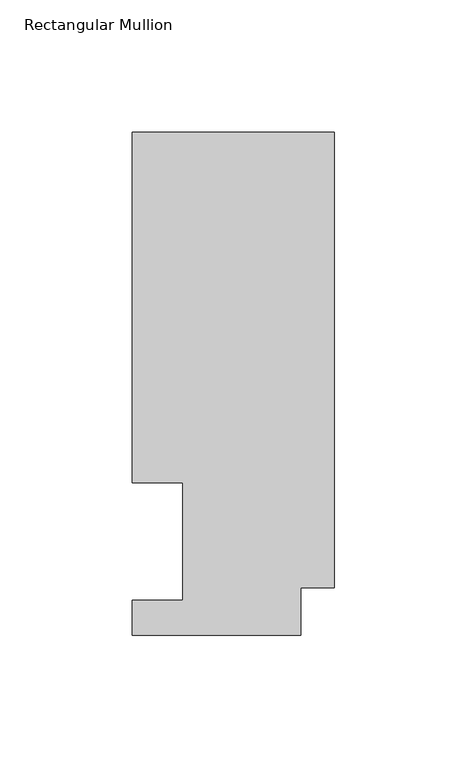
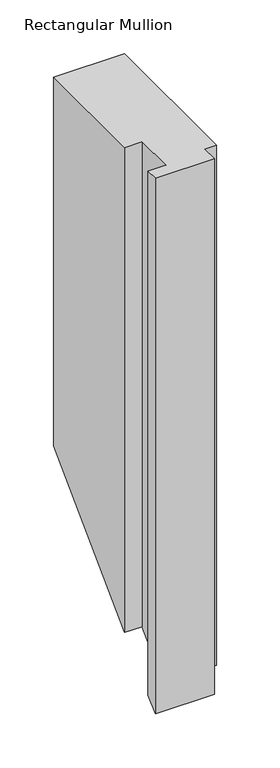
"""IFC4 building model written with IfcOpenShell, lengths in millimetres: member geometry, Rectangular Mullion."""

import ifcopenshell
import ifcopenshell.guid

model = None  # the IFC model being written
_history = None  # IfcOwnerHistory: only IFC2X3 demands one
_inside = {}  # id of a spatial element -> (the spatial element, [elements in it])
_under = {}  # id of a project, library or spatial element -> (it, [spatial elements below it])
_declared = {}  # id of a project -> (the project, [libraries it declares])
_typed = {}  # id of a type object -> (the type object, [elements of that type])
_made_of = {}  # id of a material, layer set ... -> (it, [elements and type objects made of it])


def new_model(schema):
    """Start an empty IFC model of exactly this schema.

    Asked for "IFC4X3", IfcOpenShell would pick the latest addendum, in which some entities
    have other attributes; the version numbers below select the first issue.
    IFC2X3 requires an IfcOwnerHistory on every rooted entity: one is made here for all.
    """
    global model, _history
    if schema == "IFC4X3":
        model = ifcopenshell.file(schema_version=(4, 3, 0, 0))
    else:
        model = ifcopenshell.file(schema=schema)
    _inside.clear()
    _under.clear()
    _declared.clear()
    _typed.clear()
    _made_of.clear()
    _history = None
    if model.schema == "IFC2X3":
        org = make("IfcOrganization", Name="unknown")
        user = make(
            "IfcPersonAndOrganization",
            ThePerson=make("IfcPerson", FamilyName="unknown"),
            TheOrganization=org,
        )
        app = make(
            "IfcApplication",
            ApplicationDeveloper=org,
            Version="unknown",
            ApplicationFullName="unknown",
            ApplicationIdentifier="unknown",
        )
        _history = make(
            "IfcOwnerHistory",
            OwningUser=user,
            OwningApplication=app,
            ChangeAction="ADDED",
            CreationDate=0,
        )
    return model


def make(cls, **values):
    """One entity of the class cls with the attributes given. An attribute that is None is left unset."""
    return model.create_entity(
        cls, **{name: value for name, value in values.items() if value is not None}
    )


def rooted(cls, **values):
    """An entity with a GlobalId (a new one), such as an element, a storey or a relation."""
    return make(cls, GlobalId=ifcopenshell.guid.new(), OwnerHistory=_history, **values)


def si_unit(unit_type, name, prefix=None):
    """IfcSIUnit, for example si_unit("LENGTHUNIT", "METRE", prefix="MILLI")."""
    return make("IfcSIUnit", UnitType=unit_type, Prefix=prefix, Name=name)


def assignment(units):
    """IfcUnitAssignment: the units of a project."""
    return None if units is None else make("IfcUnitAssignment", Units=units)


def point(xyz):
    """IfcCartesianPoint."""
    return None if xyz is None else make("IfcCartesianPoint", Coordinates=xyz)


def direction(xyz):
    """IfcDirection."""
    return None if xyz is None else make("IfcDirection", DirectionRatios=xyz)


def frame(location, z_axis=None, x_axis=None):
    """IfcAxis2Placement3D, a coordinate frame: its origin and axes. An axis left out is left unset."""
    return make(
        "IfcAxis2Placement3D",
        Location=point(location),
        Axis=direction(z_axis),
        RefDirection=direction(x_axis),
    )


def origin():
    """The frame at (0, 0, 0) with its axes left unset."""
    return frame((0.0, 0.0, 0.0))


def place(relative_to, where):
    """IfcLocalPlacement: puts the frame where relative to a parent placement (None: the world)."""
    return make(
        "IfcLocalPlacement", PlacementRelTo=relative_to, RelativePlacement=where
    )


def context(
    kind, dimensions, precision=None, world=None, true_north=None, identifier=None
):
    """IfcGeometricRepresentationContext, for example the 3D "Model" context."""
    return make(
        "IfcGeometricRepresentationContext",
        ContextIdentifier=identifier,
        ContextType=kind,
        CoordinateSpaceDimension=dimensions,
        Precision=precision,
        WorldCoordinateSystem=world,
        TrueNorth=true_north,
    )


def project(units=None, contexts=None):
    """IfcProject with its units and contexts."""
    return rooted(
        "IfcProject",
        Name="project",
        RepresentationContexts=contexts,
        UnitsInContext=assignment(units),
    )


def spatial(cls, under=None, at=None, **own):
    """A site, building, storey or space (cls), placed at a placement, below another one or the project."""
    s = rooted(cls, ObjectPlacement=at, **own)
    if under is not None:
        _under.setdefault(under.id(), (under, []))[1].append(s)
    return s


def faces_of(points, faces, orient=None, outer=None):
    """IfcFace entities. A face is a list of loops; a loop is a list of indices into points, from 0.

    orient and outer hold one flag for each loop. By default every Orientation is true, the
    first loop of a face is its IfcFaceOuterBound and the others are IfcFaceBound.
    """
    made = []
    for i, loops in enumerate(faces):
        bounds = []
        for j, loop in enumerate(loops):
            is_outer = j == 0 if outer is None else outer[i][j]
            bounds.append(
                make(
                    "IfcFaceOuterBound" if is_outer else "IfcFaceBound",
                    Bound=make("IfcPolyLoop", Polygon=[points[k] for k in loop]),
                    Orientation=True if orient is None else orient[i][j],
                )
            )
        made.append(make("IfcFace", Bounds=bounds))
    return made


def faceted_brep(points, faces, orient=None, outer=None, voids=None):
    """IfcFacetedBrep: a solid bounded by flat faces; with voids (closed shells), ...WithVoids."""
    shared = [point(p) for p in points]
    hull = make("IfcClosedShell", CfsFaces=faces_of(shared, faces, orient, outer))
    if voids is None:
        return make("IfcFacetedBrep", Outer=hull)
    return make(
        "IfcFacetedBrepWithVoids",
        Outer=hull,
        Voids=[
            make(cls, CfsFaces=faces_of(shared, fs, o, b)) for cls, fs, o, b in voids
        ],
    )


def shape(context_of_items, identifier, shape_type, items):
    """IfcShapeRepresentation: the items that make up one representation, for example the "Body"."""
    return make(
        "IfcShapeRepresentation",
        ContextOfItems=context_of_items,
        RepresentationIdentifier=identifier,
        RepresentationType=shape_type,
        Items=items,
    )


def source(mapping_origin, context_of_items, identifier, shape_type, items):
    """IfcRepresentationMap: a shape defined once, which mapped items show again and again."""
    return make(
        "IfcRepresentationMap",
        MappingOrigin=mapping_origin,
        MappedRepresentation=shape(context_of_items, identifier, shape_type, items),
    )


def transform(
    local_origin,
    x_axis=None,
    y_axis=None,
    z_axis=None,
    scale=None,
    scale2=None,
    scale3=None,
    uniform=True,
):
    """IfcCartesianTransformationOperator3D, or its non-uniform kind. x_axis, y_axis, z_axis: its Axis1, 2, 3."""
    if uniform:
        return make(
            "IfcCartesianTransformationOperator3D",
            Axis1=direction(x_axis),
            Axis2=direction(y_axis),
            LocalOrigin=point(local_origin),
            Scale=scale,
            Axis3=direction(z_axis),
        )
    return make(
        "IfcCartesianTransformationOperator3DnonUniform",
        Axis1=direction(x_axis),
        Axis2=direction(y_axis),
        LocalOrigin=point(local_origin),
        Scale=scale,
        Axis3=direction(z_axis),
        Scale2=scale2,
        Scale3=scale3,
    )


def mapped(mapping_source, mapping_target):
    """IfcMappedItem: shows the shape of a source again, moved by a transform."""
    return make(
        "IfcMappedItem", MappingSource=mapping_source, MappingTarget=mapping_target
    )


def made_of(thing, what):
    """Note that an element or type object is made of a material, layer set ...; save() writes the relation."""
    if what is not None:
        _made_of.setdefault(what.id(), (what, []))[1].append(thing)
    return thing


def element(
    cls,
    number,
    at=None,
    inside=None,
    cuts=None,
    type_object=None,
    material=None,
    context=None,
    identifier="Body",
    shape_type=None,
    held_by="IfcProductDefinitionShape",
    body=None,
    shapes=None,
    **own,
):
    """One element of the class cls, such as IfcWall. Its Tag is "e" and its number.

    at: its placement. inside: the storey or other place that contains it. cuts: it is an
    opening in that element (IfcRelVoidsElement). A single representation is given by context,
    identifier, shape_type and body (its items); several are given by shapes. held_by: the class
    of the entity that holds the representations. save() writes the other relations.
    """
    e = rooted(cls, Tag="e%d" % number, ObjectPlacement=at, **own)
    if body is not None:
        shapes = [shape(context, identifier, shape_type, body)]
    if shapes is not None:
        e.Representation = make(held_by, Representations=shapes)
    if inside is not None:
        _inside.setdefault(inside.id(), (inside, []))[1].append(e)
    if cuts is not None:
        rooted(
            "IfcRelVoidsElement", RelatingBuildingElement=cuts, RelatedOpeningElement=e
        )
    if type_object is not None:
        _typed.setdefault(type_object.id(), (type_object, []))[1].append(e)
    return made_of(e, material)


def aggregate(whole, parts):
    """IfcRelAggregates: a whole, such as a stair, and the parts it consists of."""
    return rooted("IfcRelAggregates", RelatingObject=whole, RelatedObjects=parts)


def save(model, path):
    """Write the relations noted so far, then the file.

    IfcRelAggregates (storeys below a building ...), IfcRelContainedInSpatialStructure (elements
    in a storey), IfcRelDefinesByType, IfcRelAssociatesMaterial and IfcRelDeclares: one each for
    every whole, place, type object, material and project.
    """
    for whole, parts in _under.values():
        aggregate(whole, parts)
    for where, things in _inside.values():
        rooted(
            "IfcRelContainedInSpatialStructure",
            RelatedElements=things,
            RelatingStructure=where,
        )
    for kind, things in _typed.values():
        rooted("IfcRelDefinesByType", RelatedObjects=things, RelatingType=kind)
    for what, things in _made_of.values():
        rooted("IfcRelAssociatesMaterial", RelatedObjects=things, RelatingMaterial=what)
    for by, libraries in _declared.values():
        rooted("IfcRelDeclares", RelatingContext=by, RelatedDefinitions=libraries)
    model.write(path)


def rectangular_mullion_8f71ec8a(model_context):
    return source(origin(), model_context, "Body", "Brep", [
        faceted_brep([(0.0, 189.8022938, 0.0), (-76.2, 189.8022938, 0.0), (-76.2, 57.6460937, 0.0), (-57.1627, 57.6460937, 0.0), (-57.1627, 13.1960938, 0.0), (-76.2, 13.1960938, 0.0), (-76.2, 0.0134938, 0.0), (-12.7, 0.0134938, 0.0), (-12.7, 17.9712937, 0.0), (0.0, 17.9712937, 0.0), (0.0, 189.8022938, -419.7659563), (-76.2, 189.8022938, -419.7659563), (-76.2, 57.6460937, -551.9221563), (-57.1627, 57.6460937, -551.9221563), (-57.1627, 13.1960938, -596.3721563), (-76.2, 13.1960938, -596.3721563), (-76.2, 0.0134938, -609.5547562), (-12.7, 0.0134938, -609.5547562), (-12.7, 17.9712937, -591.5969563), (0.0, 17.9712937, -591.5969563)], [[[0, 1, 2, 3, 4, 5, 6, 7, 8, 9]], [[1, 0, 10, 11]], [[2, 1, 11, 12]], [[3, 2, 12, 13]], [[4, 3, 13, 14]], [[5, 4, 14, 15]], [[6, 5, 15, 16]], [[7, 6, 16, 17]], [[8, 7, 17, 18]], [[9, 8, 18, 19]], [[0, 9, 19, 10]], [[10, 19, 18, 17, 16, 15, 14, 13, 12, 11]]]),
    ])


if __name__ == "__main__":
    model = new_model("IFC4")
    model_context = context("Model", 3, world=origin())
    ifc_project = project(units=[si_unit("LENGTHUNIT", "METRE", prefix="MILLI")], contexts=[model_context])
    site = spatial("IfcSite", under=ifc_project)
    building = spatial("IfcBuilding", under=site)
    placement = place(None, origin())
    rectangular_mullion_shape = rectangular_mullion_8f71ec8a(model_context)
    element("IfcMember", 1, ObjectType="Rectangular Mullion", at=placement, inside=building, context=model_context, shape_type="MappedRepresentation", body=[
        mapped(rectangular_mullion_shape, transform((0.0, 0.0, 0.0), x_axis=(1.0, 0.0, 0.0), y_axis=(0.0, 1.0, 0.0), z_axis=(0.0, 0.0, 1.0))),
    ])
    save(model, "model.ifc")
